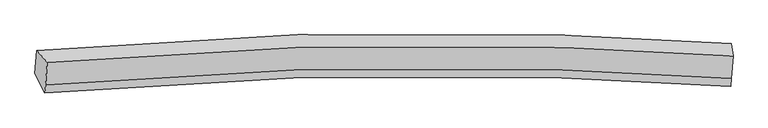
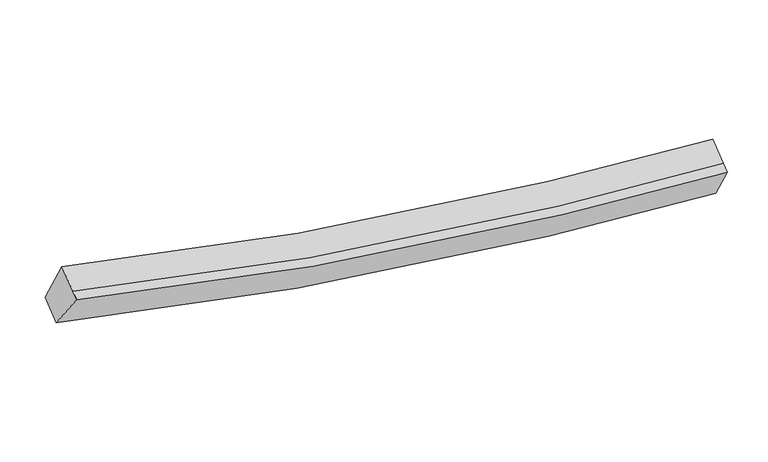
"""IFC4 building model written with IfcOpenShell, lengths in millimetres: proxy geometry."""

from ifc_helpers import new_model, si_unit, frame, origin, place, context, project, spatial, source, transform, mapped, element, save
from ifc_brep_helpers import plane_surface, spline_curve, spline_surface, advanced_brep


def generic_models_9591aea0(model_context):
    return source(origin(), model_context, "Body", "AdvancedBrep", [
        advanced_brep(
        [(-6688.3819304, -1836.2862289, 4073.9575783), (-6503.118045, -2047.4733473, 4731.8072626), (5464.2141453, -1934.1061769, 2940.902455), (5436.3985433, -1720.8251542, 2258.6807821), (-6532.059064, -2444.1175633, 4510.7646183), (5435.3565554, -2329.6069754, 2720.4970166), (-6542.2361486, -2583.5971623, 4433.0351616), (5425.1794708, -2469.0865743, 2642.76756), (-6718.1325643, -2244.0264276, 3846.7313436), (5406.7313386, -2127.4219353, 2032.0917533)],
        [
            (0, 1),
            (1, 2, spline_curve(3, [(-6503.118045, -2047.4733473, 4731.8072626), (-3537.208686631, -1775.151828123, 3843.308721989), (-530.189889353, -1687.346992716, 3285.309772339), (3495.799412521, -1815.084684293, 2984.82700944), (4477.891345177, -1865.100462893, 2945.857690793), (5464.2141453, -1934.1061769, 2940.902455)], [4, 2, 4], [0.0, 30.385038978098073, 40.13277407554499])),
            (2, 3),
            (3, 0, spline_curve(3, [(5436.3985433, -1720.8251542, 2258.6807821), (4443.6186225, -1651.402184493, 2263.732712176), (3453.541743763, -1601.111671949, 2303.254507786), (-611.612953072, -1472.829647516, 2607.888413535), (-3663.129565918, -1561.60718519, 3173.458883833), (-6688.3819304, -1836.2862289, 4073.9575783)], [4, 2, 4], [0.0, 9.747735097446913, 40.13277407554499])),
            (1, 4),
            (4, 5, spline_curve(3, [(-6532.059064, -2444.1175633, 4510.7646183), (-3566.100840998, -2171.12633963, 3622.63929259), (-559.054233754, -2082.940364852, 3064.852743434), (3466.943989512, -2210.555784517, 2764.438121639), (4449.035922514, -2260.571563259, 2725.468802815), (5435.3565554, -2329.6069754, 2720.4970166)], [4, 2, 4], [0.0, 30.187124129978105, 39.871366746381455])),
            (5, 2),
            (4, 6),
            (6, 7, spline_curve(3, [(-6542.2361486, -2583.5971623, 4433.0351616), (-3576.277925533, -2310.605938918, 3544.909835872), (-569.231318517, -2222.41996452, 2987.123287168), (3456.766904965, -2350.03538317, 2686.708664799), (4438.858837723, -2400.051162107, 2647.739346239), (5425.1794708, -2469.0865743, 2642.76756)], [4, 2, 4], [0.0, 30.18712231791986, 39.87136435300213])),
            (7, 5),
            (6, 8),
            (8, 9, spline_curve(3, [(-6718.1325643, -2244.0264276, 3846.7313436), (-3692.831334209, -1968.677678759, 2946.605862571), (-641.28691239, -1879.51900247, 2381.247795047), (3423.876705992, -2007.678754703, 2076.682029322), (4413.953584727, -2057.969267245, 2037.160233758), (5406.7313386, -2127.4219353, 2032.0917533)], [4, 2, 4], [0.0, 30.38503524868206, 40.13276914970598])),
            (9, 7),
            (8, 0),
            (3, 9),
        ],
        [
            spline_surface(3, 3, [[(-6688.3819304, -1836.2862289, 4073.9575783), (-3663.129565514, -1561.607184789, 3173.458883536), (-611.612953071, -1472.829647418, 2607.888413707), (3453.541743762, -1601.11167198, 2303.254507731), (4443.618622489, -1651.40218449, 2263.732712154), (5436.3985433, -1720.8251542, 2258.6807821)], [(-6626.627301916, -1906.681935046, 4293.240806404), (-3621.155939283, -1632.788732731, 3396.742163161), (-584.471931908, -1544.335429297, 2833.695533122), (3467.627633347, -1672.436009412, 2530.445341686), (4455.042863418, -1722.634944022, 2491.107705054), (5445.670410615, -1791.918828457, 2486.088006408)], [(-6564.872673484, -1977.077641154, 4512.524034496), (-3579.182313103, -1703.970280636, 3620.025442775), (-557.330910685, -1615.841211107, 3059.502652514), (3481.71352299, -1743.760346775, 2757.636175617), (4466.467104402, -1793.867703483, 2718.482697928), (5454.942277985, -1863.012502643, 2713.495230692)], [(-6503.118045, -2047.4733473, 4731.8072626), (-3537.208686872, -1775.151828578, 3843.3087224), (-530.189889521, -1687.346992986, 3285.309771929), (3495.799412575, -1815.084684206, 2984.827009572), (4477.891345331, -1865.100463015, 2945.857690827), (5464.2141453, -1934.1061769, 2940.902455)]], [4, 4], [4, 2, 4], [0.0, 2.3433357376352544], [0.0, 30.385038978098073, 40.13277407554499]),
            spline_surface(3, 3, [[(-6503.118045, -2047.4733473, 4731.8072626), (-3537.208686872, -1775.151828578, 3843.3087224), (-530.189889521, -1687.346992986, 3285.309771929), (3495.799412575, -1815.084684206, 2984.827009572), (4477.891345331, -1865.100463015, 2945.857690827), (5464.2141453, -1934.1061769, 2940.902455)], [(-6512.765051342, -2179.688085958, 4658.126381157), (-3546.839404954, -1907.14333239, 3769.752245697), (-539.811337704, -1819.211450408, 3211.824095881), (3486.180938241, -1946.908384248, 2911.364046874), (4468.272870998, -1996.924163057, 2872.39472813), (5454.594948657, -2065.939776386, 2867.433975521)], [(-6522.412057658, -2311.902824642, 4584.445499743), (-3556.470123011, -2039.134836229, 3696.195769023), (-549.432785857, -1951.075907872, 3138.33841987), (3476.562463938, -2078.732084333, 2837.901084212), (4458.654396694, -2128.747863142, 2798.931765468), (5444.975752043, -2197.773375914, 2793.965496079)], [(-6532.059064, -2444.1175633, 4510.7646183), (-3566.100841093, -2171.126340041, 3622.63929232), (-559.05423404, -2082.940365293, 3064.852743822), (3466.943989604, -2210.555784375, 2764.438121514), (4449.03592236, -2260.571563184, 2725.46880277), (5435.3565554, -2329.6069754, 2720.4970166)]], [4, 4], [4, 2, 4], [0.0, 1.4892062023147175], [0.0, 30.187124129978105, 39.871366746381455]),
            spline_surface(3, 3, [[(-6532.059064, -2444.1175633, 4510.7646183), (-3566.100841093, -2171.126340041, 3622.63929232), (-559.05423404, -2082.940365293, 3064.852743822), (3466.943989604, -2210.555784375, 2764.438121514), (4449.03592236, -2260.571563184, 2725.46880277), (5435.3565554, -2329.6069754, 2720.4970166)], [(-6535.45142552, -2490.610762949, 4484.854799425), (-3569.493202614, -2217.61953969, 3596.729473445), (-562.44659556, -2129.433564943, 3038.942924947), (3463.551628084, -2257.048984024, 2738.528302639), (4445.64356084, -2307.064762833, 2699.558983895), (5431.96419388, -2376.100175049, 2694.587197725)], [(-6538.84378708, -2537.103962651, 4458.944980475), (-3572.885564173, -2264.112739392, 3570.819654495), (-565.838957119, -2175.926764544, 3013.033105997), (3460.159266525, -2303.542183626, 2712.618483689), (4442.251199281, -2353.557962435, 2673.649165045), (5428.57183232, -2422.593374651, 2668.677378875)], [(-6542.2361486, -2583.5971623, 4433.0351616), (-3576.277925693, -2310.605939041, 3544.90983562), (-569.23131864, -2222.419964193, 2987.123287122), (3456.766905004, -2350.035383275, 2686.708664814), (4438.85883776, -2400.051162084, 2647.73934617), (5425.1794708, -2469.0865743, 2642.76756)]], [4, 4], [4, 2, 4], [0.0, 0.5249343832021022], [0.0, 30.18712231791986, 39.87136435300213]),
            spline_surface(3, 3, [[(-6542.2361486, -2583.5971623, 4433.0351616), (-3576.277925693, -2310.605939041, 3544.90983562), (-569.23131864, -2222.419964193, 2987.123287122), (3456.766905004, -2350.035383275, 2686.708664814), (4438.85883776, -2400.051162084, 2647.73934617), (5425.1794708, -2469.0865743, 2642.76756)], [(-6600.868287179, -2470.406917397, 4237.600555583), (-3615.129062019, -2196.629852342, 3345.475178082), (-593.249849898, -2108.119643558, 2785.164789793), (3445.803505325, -2235.916507087, 2483.366452946), (4430.557086736, -2286.023863796, 2444.212975357), (5419.03009339, -2355.198361286, 2439.208957778)], [(-6659.500425721, -2357.216672503, 4042.165949617), (-3653.98019831, -2082.653765651, 3146.040520595), (-617.268381131, -1993.819322961, 2583.206292528), (3434.840105671, -2121.797630937, 2280.024241142), (4422.255335742, -2171.996565548, 2240.68660451), (5412.88071601, -2241.310148314, 2235.650355522)], [(-6718.1325643, -2244.0264276, 3846.7313436), (-3692.831334636, -1968.677678952, 2946.605863056), (-641.286912389, -1879.519002325, 2381.2477952), (3423.876705992, -2007.678754749, 2076.682029273), (4413.953584718, -2057.969267259, 2037.160233697), (5406.7313386, -2127.4219353, 2032.0917533)]], [4, 4], [4, 2, 4], [0.0, 2.2929816524486473], [0.0, 30.38503524868206, 40.13276914970598]),
            spline_surface(3, 3, [[(-6718.1325643, -2244.0264276, 3846.7313436), (-3692.831334636, -1968.677678952, 2946.605863056), (-641.286912389, -1879.519002325, 2381.2477952), (3423.876705992, -2007.678754749, 2076.682029273), (4413.953584718, -2057.969267259, 2037.160233697), (5406.7313386, -2127.4219353, 2032.0917533)], [(-6708.215686343, -2108.11302805, 3922.473421831), (-3682.930744938, -1832.987514248, 3022.223536547), (-631.395592591, -1743.955884011, 2456.794668036), (3433.76505194, -1872.156393815, 2152.20618876), (4423.841930667, -1922.446906325, 2112.684393183), (5416.620406859, -1991.889674922, 2107.621429567)], [(-6698.298808357, -1972.19962845, 3998.215500069), (-3673.030155212, -1697.297349494, 3097.841210045), (-621.504272869, -1608.392765732, 2532.341540871), (3443.653397814, -1736.634032915, 2227.730348245), (4433.73027654, -1786.924545425, 2188.208552668), (5426.509475041, -1856.357414578, 2183.151105833)], [(-6688.3819304, -1836.2862289, 4073.9575783), (-3663.129565514, -1561.607184789, 3173.458883536), (-611.612953071, -1472.829647418, 2607.888413707), (3453.541743762, -1601.11167198, 2303.254507731), (4443.618622489, -1651.40218449, 2263.732712154), (5436.3985433, -1720.8251542, 2258.6807821)]], [4, 4], [4, 2, 4], [0.0, 1.5309661648234114], [0.0, 30.58295345881649, 40.39418091944196]),
            plane_surface(frame((5433.1308745, -2062.8599602, 2468.6106376), z_axis=(0.9976269941192786, -0.04268692883958382, -0.05402042864303783), x_axis=(-0.026354474615052595, 0.48809234148667463, -0.8723940095219705))),
            plane_surface(frame((-6612.9671721, -2177.8457915, 4271.3828365), z_axis=(-0.9658220544451316, -0.06879883287924757, 0.24990894290088694), x_axis=(-0.06360677850907269, -0.8717474934224468, -0.48580910390746984))),
        ],
        [
            (0, [[1, 2, 3, 4]]),
            (1, [[5, 6, 7, -2]]),
            (2, [[8, 9, 10, -6]]),
            (3, [[11, 12, 13, -9]]),
            (4, [[14, -4, 15, -12]]),
            (5, [[-13, -15, -3, -7, -10]]),
            (6, [[-14, -11, -8, -5, -1]]),
        ],
    ),
    ])


if __name__ == "__main__":
    model = new_model("IFC4")
    model_context = context("Model", 3, world=origin())
    ifc_project = project(units=[si_unit("LENGTHUNIT", "METRE", prefix="MILLI")], contexts=[model_context])
    site = spatial("IfcSite", under=ifc_project)
    building = spatial("IfcBuilding", under=site)
    placement = place(None, origin())
    generic_models_shape = generic_models_9591aea0(model_context)
    element("IfcBuildingElementProxy", 1, Name="Generic Models", at=placement, inside=building, context=model_context, shape_type="MappedRepresentation", body=[
        mapped(generic_models_shape, transform((0.0, 0.0, 0.0), x_axis=(1.0, 0.0, 0.0), y_axis=(0.0, 1.0, 0.0), z_axis=(0.0, 0.0, 1.0))),
    ])
    save(model, "model.ifc")
